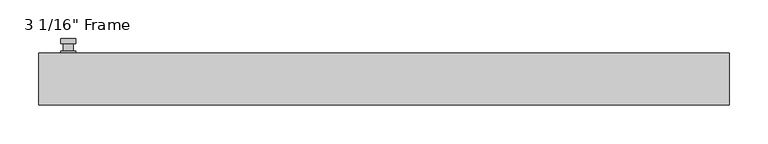
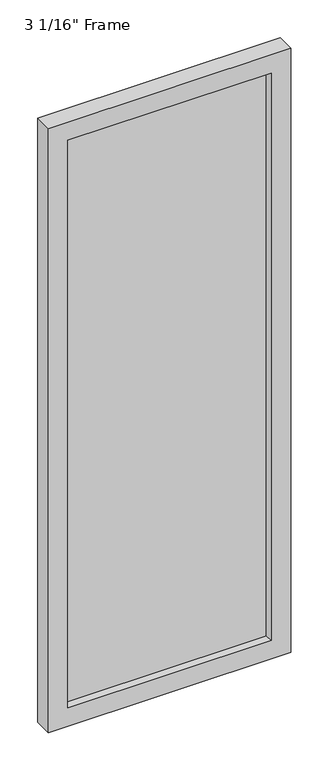
"""IFC4 building model written with IfcOpenShell, lengths in millimetres: plate geometry."""

from ifc_helpers import new_model, si_unit, frame, origin, place, context, project, spatial, polyline, circle_curve, outline, extrude, faceted_brep, source, transform, mapped, element, save
from ifc_brep_helpers import plane_surface, cylinder_surface, advanced_brep


def plate_ccf3255c(model_context):
    return source(origin(), model_context, "Body", "SolidModel", [
        advanced_brep(
        [(-398.4625, 33.3375, 927.1), (-417.5125, 33.3375, 927.1), (-417.5125, 33.3375, 901.7), (-398.4625, 33.3375, 901.7), (-401.6375, 46.0375, 914.4), (-401.6375, 36.5125, 914.4), (-414.3375, 36.5125, 914.4), (-414.3375, 46.0375, 914.4), (-398.4625, 46.0375, 914.4), (-417.5125, 46.0375, 914.4), (-414.3334644, 46.0375, 825.2736467), (-401.6415356, 46.0375, 825.2736467), (-398.4625, 52.3875, 914.4), (-401.6415356, 52.3875, 825.2736467), (-414.3334644, 52.3875, 825.2736467), (-417.5125, 52.3875, 914.4), (-398.4625, 36.5125, 927.1), (-398.4625, 36.5125, 901.7), (-417.5125, 36.5125, 901.7), (-417.5125, 36.5125, 927.1)],
        [
            (0, 1, circle_curve(frame((-407.9875, 33.3375, 927.1), z_axis=(0.0, -1.0, 0.0), x_axis=(-1.0, 0.0, 0.0)), 9.525)),
            (1, 2),
            (2, 3, circle_curve(frame((-407.9875, 33.3375, 901.7), z_axis=(0.0, -1.0, 0.0), x_axis=(-1.0, 0.0, 0.0)), 9.525)),
            (3, 0),
            (4, 5),
            (5, 6, circle_curve(frame((-407.9875, 36.5125, 914.4), z_axis=(0.0, 1.0, 0.0), x_axis=(-1.0, 0.0, 0.0)), 6.35)),
            (6, 7),
            (7, 4, circle_curve(frame((-407.9875, 46.0375, 914.4), z_axis=(0.0, -1.0, 0.0), x_axis=(-1.0, 0.0, 0.0)), 6.35)),
            (6, 5, circle_curve(frame((-407.9875, 36.5125, 914.4), z_axis=(0.0, 1.0, 0.0), x_axis=(-1.0, 0.0, 0.0)), 6.35)),
            (4, 7, circle_curve(frame((-407.9875, 46.0375, 914.4), z_axis=(0.0, -1.0, 0.0), x_axis=(-1.0, 0.0, 0.0)), 6.35)),
            (8, 9, circle_curve(frame((-407.9875, 46.0375, 914.4), z_axis=(0.0, -1.0, 0.0), x_axis=(-1.0, 0.0, 0.0)), 9.525)),
            (9, 10),
            (10, 11, circle_curve(frame((-407.9875, 46.0375, 825.5), z_axis=(0.0, -1.0, 0.0), x_axis=(-1.0, 0.0, 0.0)), 6.35)),
            (11, 8),
            (12, 13),
            (13, 14, circle_curve(frame((-407.9875, 52.3875, 825.5), z_axis=(0.0, 1.0, 0.0), x_axis=(-1.0, 0.0, 0.0)), 6.35)),
            (14, 15),
            (15, 12, circle_curve(frame((-407.9875, 52.3875, 914.4), z_axis=(0.0, 1.0, 0.0), x_axis=(-1.0, 0.0, 0.0)), 9.525)),
            (11, 13),
            (12, 8),
            (10, 14),
            (9, 15),
            (16, 17),
            (17, 18, circle_curve(frame((-407.9875, 36.5125, 901.7), z_axis=(0.0, 1.0, 0.0), x_axis=(-1.0, 0.0, 0.0)), 9.525)),
            (18, 19),
            (19, 16, circle_curve(frame((-407.9875, 36.5125, 927.1), z_axis=(0.0, 1.0, 0.0), x_axis=(-1.0, 0.0, 0.0)), 9.525)),
            (3, 17),
            (16, 0),
            (2, 18),
            (1, 19),
        ],
        [
            plane_surface(frame((-414.3375, 33.3375, 914.4), z_axis=(0.0, -1.0, 0.0), x_axis=(0.0, 0.0, 1.0))),
            cylinder_surface(frame((-407.9875, 46.0375, 914.4), z_axis=(0.0, -1.0, 0.0), x_axis=(-1.0, 0.0, 0.0)), 6.35),
            plane_surface(frame((-398.4625, 46.0375, 914.4), z_axis=(0.0, -1.0000000000000002, 0.0), x_axis=(-0.03564619348186888, 0.0, -0.9993644724975235))),
            plane_surface(frame((-398.4625, 52.3875, 914.4), z_axis=(0.0, 1.0000000000000002, 0.0), x_axis=(0.03564619348186888, 0.0, 0.9993644724975235))),
            plane_surface(frame((-398.4625, 46.0375, 914.4), z_axis=(0.9993644724975235, 0.0, -0.03564619348186888), x_axis=(0.0, 1.0, 0.0))),
            cylinder_surface(frame((-407.9875, 52.3875, 825.5), z_axis=(0.0, -1.0, 0.0), x_axis=(-1.0, 0.0, 0.0)), 6.35),
            plane_surface(frame((-414.3334644, 46.0375, 825.2736467), z_axis=(-0.9993644724975228, 0.0, -0.03564619348188612), x_axis=(0.0, 1.0, 0.0))),
            cylinder_surface(frame((-407.9875, 52.3875, 914.4), z_axis=(0.0, -1.0, 0.0), x_axis=(-1.0, 0.0, 0.0)), 9.525),
            plane_surface(frame((-398.4625, 36.5125, 901.7), z_axis=(0.0, 1.0, 0.0), x_axis=(0.0, 0.0, 1.0))),
            plane_surface(frame((-398.4625, 33.3375, 927.1), z_axis=(1.0, 0.0, 0.0), x_axis=(0.0, 1.0, 0.0))),
            cylinder_surface(frame((-407.9875, 36.5125, 901.7), z_axis=(0.0, -1.0, 0.0), x_axis=(-1.0, 0.0, 0.0)), 9.525),
            plane_surface(frame((-417.5125, 33.3375, 901.7), z_axis=(-1.0, 0.0, 0.0), x_axis=(0.0, 1.0, 0.0))),
            cylinder_surface(frame((-407.9875, 36.5125, 927.1), z_axis=(0.0, -1.0, 0.0), x_axis=(-1.0, 0.0, 0.0)), 9.525),
        ],
        [
            (0, [[1, 2, 3, 4]]),
            (1, [[5, 6, 7, 8]]),
            (1, [[-7, 9, -5, 10]]),
            (2, [[11, 12, 13, 14], [-10, -8]]),
            (3, [[15, 16, 17, 18]]),
            (4, [[19, -15, 20, -14]]),
            (5, [[21, -16, -19, -13]]),
            (6, [[22, -17, -21, -12]]),
            (7, [[-20, -18, -22, -11]]),
            (8, [[23, 24, 25, 26], [-9, -6]]),
            (9, [[27, -23, 28, -4]]),
            (10, [[29, -24, -27, -3]]),
            (11, [[30, -25, -29, -2]]),
            (12, [[-28, -26, -30, -1]]),
        ],
    ),
        faceted_brep([(-446.0875, 33.3375, 0.0), (446.0875, 33.3375, 0.0), (446.0875, -33.3375, 0.0), (-446.0875, -33.3375, 0.0), (-446.0875, 33.3375, 2352.675), (446.0875, 33.3375, 2352.675), (-374.65, 33.3375, 2281.2375), (-374.65, 33.3375, 71.4375), (374.65, 33.3375, 71.4375), (374.65, 33.3375, 2281.2375), (-446.0875, -33.3375, 2352.675), (446.0875, -33.3375, 2352.675), (-374.65, -33.3375, 2281.2375), (374.65, -33.3375, 2281.2375), (374.65, -33.3375, 71.4375), (-374.65, -33.3375, 71.4375), (-368.3, -11.90625, 77.7875), (-368.3, -11.90625, 2274.8875), (381.0, -11.90625, 2287.5875), (381.0, -11.90625, 65.0875), (-381.0, -11.90625, 65.0875), (-381.0, -11.90625, 2287.5875), (368.3, -11.90625, 77.7875), (368.3, -11.90625, 2274.8875), (-381.0, 11.90625, 65.0875), (-381.0, 11.90625, 2287.5875), (381.0, 11.90625, 65.0875), (381.0, 11.90625, 2287.5875), (-368.3, 11.90625, 2274.8875), (368.3, 11.90625, 2274.8875), (368.3, 11.90625, 77.7875), (-368.3, 11.90625, 77.7875)], [[[0, 1, 2, 3]], [[0, 4, 5, 1], [6, 7, 8, 9]], [[3, 10, 4, 0]], [[2, 11, 10, 3], [12, 13, 14, 15]], [[12, 15, 16, 17]], [[18, 19, 20, 21], [17, 16, 22, 23]], [[20, 24, 25, 21]], [[25, 24, 26, 27], [28, 29, 30, 31]], [[28, 31, 7, 6]], [[4, 10, 11, 5]], [[12, 17, 23, 13]], [[21, 25, 27, 18]], [[9, 29, 28, 6]], [[5, 11, 2, 1]], [[23, 22, 14, 13]], [[26, 19, 18, 27]], [[9, 8, 30, 29]], [[7, 31, 30, 8]], [[19, 26, 24, 20]], [[16, 15, 14, 22]]]),
        extrude(outline(polyline([(381.0, 11.90625), (381.0, -11.90625), (-381.0, -11.90625), (-381.0, 11.90625), (381.0, 11.90625)])), frame((0.0, 0.0, 65.0875), z_axis=(0.0, 0.0, 1.0), x_axis=(1.0, 0.0, 0.0)), (0.0, 0.0, 1.0), 2222.5),
    ])


if __name__ == "__main__":
    model = new_model("IFC4")
    model_context = context("Model", 3, world=origin())
    ifc_project = project(units=[si_unit("LENGTHUNIT", "METRE", prefix="MILLI")], contexts=[model_context])
    site = spatial("IfcSite", under=ifc_project)
    building = spatial("IfcBuilding", under=site)
    placement = place(None, origin())
    plate_shape = plate_ccf3255c(model_context)
    element("IfcPlate", 1, ObjectType="3 1/16\" Frame", at=placement, inside=building, context=model_context, shape_type="MappedRepresentation", body=[
        mapped(plate_shape, transform((0.0, 0.0, 0.0), x_axis=(1.0, 0.0, 0.0), y_axis=(0.0, 1.0, 0.0), z_axis=(0.0, 0.0, 1.0))),
    ])
    save(model, "model.ifc")
